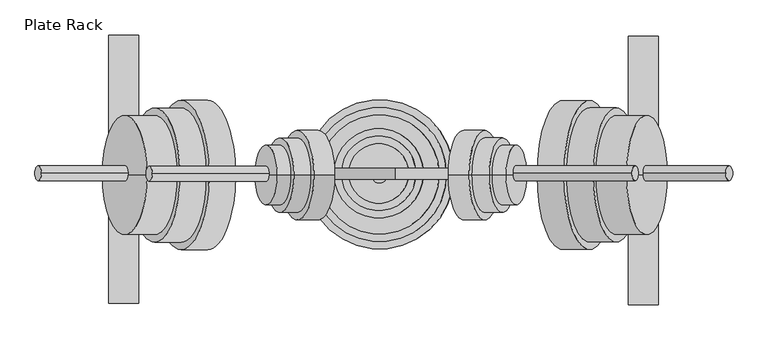
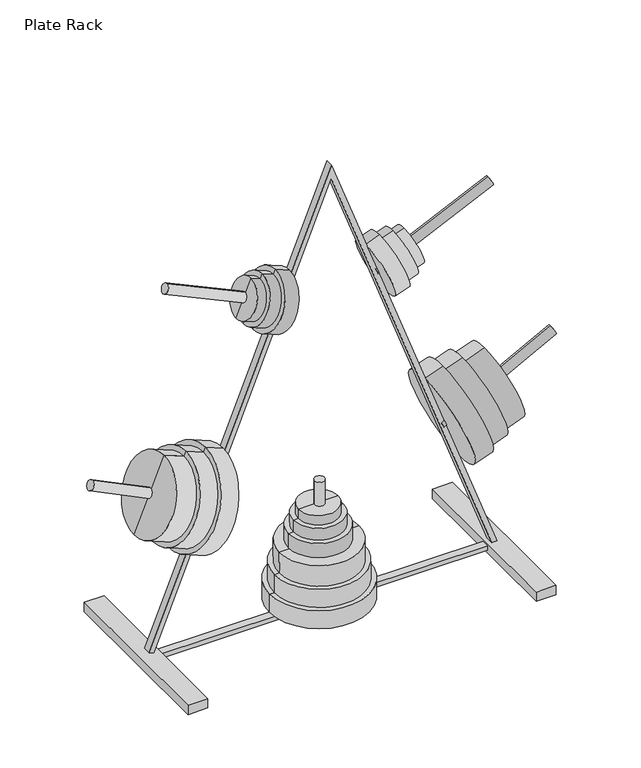
"""IFC4 building model written with IfcOpenShell, lengths in millimetres: proxy geometry, Plate Rack."""

from ifc_helpers import new_model, si_unit, point, frame, frame_2d, origin, place, context, project, spatial, polyline, circle_curve, trimmed, segment, composite_curve, outline, extrude, source, transform, mapped, element, save
from ifc_brep_helpers import plane_surface, cylinder_surface, advanced_brep


def plate_rack_b4f6c4f7(model_context):
    return source(origin(), model_context, "Body", "SolidModel", [
        advanced_brep(
        [(327.7163438, -3.2892365, 936.3260176), (270.8948259, -3.2892365, 794.9150028), (306.2475796, -3.2892365, 780.7096233), (363.0690975, -3.2892365, 922.1206381), (322.9812173, -3.2892365, 924.5417663), (275.6299524, -3.2892365, 806.699254), (293.5205892, -3.2892365, 936.3795826), (246.1693243, -3.2892365, 818.5370702), (288.7854627, -3.2892365, 924.5953313), (250.9044508, -3.2892365, 830.3213215), (265.2169603, -3.2892365, 934.0655843), (227.3359484, -3.2892365, 839.7915744), (246.2764543, -3.2892365, 886.9285794), (334.6583386, -3.2892365, 851.4151307)],
        [
            (0, 1, circle_curve(frame((299.3055849, -3.2892365, 865.6205102), z_axis=(0.9278937979315693, 0.0, -0.37284460537887376), x_axis=(-0.37284460537887376, 0.0, -0.9278937979315693)), 76.2)),
            (1, 2),
            (2, 3, circle_curve(frame((334.6583386, -3.2892365, 851.4151307), z_axis=(-0.9278937979315693, 0.0, 0.37284460537887376), x_axis=(-0.37284460537887376, 0.0, -0.9278937979315693)), 76.2)),
            (3, 0),
            (1, 0, circle_curve(frame((299.3055849, -3.2892365, 865.6205102), z_axis=(0.9278937979315693, 0.0, -0.37284460537887376), x_axis=(-0.37284460537887376, 0.0, -0.9278937979315693)), 76.2)),
            (3, 2, circle_curve(frame((334.6583386, -3.2892365, 851.4151307), z_axis=(-0.9278937979315693, 0.0, 0.37284460537887376), x_axis=(-0.37284460537887376, 0.0, -0.9278937979315693)), 76.2)),
            (4, 5, circle_curve(frame((299.3055849, -3.2892365, 865.6205102), z_axis=(0.9278937979315693, 0.0, -0.37284460537887376), x_axis=(-0.37284460537887376, 0.0, -0.9278937979315693)), 63.5)),
            (5, 1),
            (0, 4),
            (5, 4, circle_curve(frame((299.3055849, -3.2892365, 865.6205102), z_axis=(0.9278937979315693, 0.0, -0.37284460537887376), x_axis=(-0.37284460537887376, 0.0, -0.9278937979315693)), 63.5)),
            (6, 7, circle_curve(frame((269.8449568, -3.2892365, 877.4583264), z_axis=(0.9278937979315693, 0.0, -0.37284460537887376), x_axis=(-0.37284460537887376, 0.0, -0.9278937979315693)), 63.5)),
            (7, 5),
            (4, 6),
            (7, 6, circle_curve(frame((269.8449568, -3.2892365, 877.4583264), z_axis=(0.9278937979315693, 0.0, -0.37284460537887376), x_axis=(-0.37284460537887376, 0.0, -0.9278937979315693)), 63.5)),
            (8, 9, circle_curve(frame((269.8449568, -3.2892365, 877.4583264), z_axis=(0.9278937979315693, 0.0, -0.37284460537887376), x_axis=(-0.37284460537887376, 0.0, -0.9278937979315693)), 50.8)),
            (9, 7),
            (6, 8),
            (9, 8, circle_curve(frame((269.8449568, -3.2892365, 877.4583264), z_axis=(0.9278937979315693, 0.0, -0.37284460537887376), x_axis=(-0.37284460537887376, 0.0, -0.9278937979315693)), 50.8)),
            (10, 11, circle_curve(frame((246.2764543, -3.2892365, 886.9285794), z_axis=(0.9278937979315693, 0.0, -0.37284460537887376), x_axis=(-0.37284460537887376, 0.0, -0.9278937979315693)), 50.8)),
            (11, 9),
            (8, 10),
            (11, 10, circle_curve(frame((246.2764543, -3.2892365, 886.9285794), z_axis=(0.9278937979315693, 0.0, -0.37284460537887376), x_axis=(-0.37284460537887376, 0.0, -0.9278937979315693)), 50.8)),
            (12, 11),
            (10, 12),
            (2, 13),
            (13, 3),
        ],
        [
            cylinder_surface(frame((246.2764543, -3.2892365, 886.9285794), z_axis=(-0.9278937979315693, 0.0, 0.37284460537887376), x_axis=(-0.37284460537887376, 0.0, -0.9278937979315693)), 76.2),
            plane_surface(frame((299.3055849, -3.2892365, 865.6205102), z_axis=(-0.9278937979315693, 0.0, 0.37284460537887376), x_axis=(-0.37284460537887376, 0.0, -0.9278937979315693))),
            cylinder_surface(frame((246.2764543, -3.2892365, 886.9285794), z_axis=(-0.9278937979315693, 0.0, 0.37284460537887376), x_axis=(-0.37284460537887376, 0.0, -0.9278937979315693)), 63.5),
            plane_surface(frame((269.8449568, -3.2892365, 877.4583264), z_axis=(-0.9278937979315693, 0.0, 0.37284460537887376), x_axis=(-0.37284460537887376, 0.0, -0.9278937979315693))),
            cylinder_surface(frame((246.2764543, -3.2892365, 886.9285794), z_axis=(-0.9278937979315693, 0.0, 0.37284460537887376), x_axis=(-0.37284460537887376, 0.0, -0.9278937979315693)), 50.8),
            plane_surface(frame((246.2764543, -3.2892365, 886.9285794), z_axis=(-0.9278937979315693, 0.0, 0.37284460537887376), x_axis=(-0.37284460537887376, 0.0, -0.9278937979315693))),
            plane_surface(frame((334.6583386, -3.2892365, 851.4151307), z_axis=(0.9278937979315693, 0.0, -0.37284460537887376), x_axis=(-0.37284460537887376, 0.0, -0.9278937979315693))),
        ],
        [
            (0, [[1, 2, 3, 4]]),
            (0, [[5, -4, 6, -2]]),
            (1, [[7, 8, -1, 9]]),
            (1, [[10, -9, -5, -8]]),
            (2, [[11, 12, -7, 13]]),
            (2, [[14, -13, -10, -12]]),
            (3, [[15, 16, -11, 17]]),
            (3, [[18, -17, -14, -16]]),
            (4, [[19, 20, -15, 21]]),
            (4, [[22, -21, -18, -20]]),
            (5, [[23, -19, 24]]),
            (5, [[-24, -22, -23]]),
            (6, [[-3, 25, 26]]),
            (6, [[-6, -26, -25]]),
        ],
    ),
        advanced_brep(
        [(645.5804577, -3.2892365, 793.5779262), (592.3722448, -3.2892365, 936.3877511), (556.6697886, -3.2892365, 923.0856979), (609.8780015, -3.2892365, 780.275873), (641.1464399, -3.2892365, 805.478745), (596.8062625, -3.2892365, 924.4869324), (670.8984868, -3.2892365, 816.5637893), (626.5583094, -3.2892365, 935.5719767), (666.464469, -3.2892365, 828.4646081), (630.9923271, -3.2892365, 923.671158), (690.2661065, -3.2892365, 837.3326436), (654.7939646, -3.2892365, 932.5391935), (672.5300356, -3.2892365, 884.9359185), (583.273895, -3.2892365, 851.6807855)],
        [
            (0, 1, circle_curve(frame((618.9763512, -3.2892365, 864.9828387), z_axis=(-0.9370723416893586, 0.0, -0.34913525522470834), x_axis=(-0.34913525522470834, 0.0, 0.9370723416893586)), 76.2)),
            (1, 2),
            (2, 3, circle_curve(frame((583.273895, -3.2892365, 851.6807855), z_axis=(0.9370723416893586, 0.0, 0.34913525522470834), x_axis=(-0.34913525522470834, 0.0, 0.9370723416893586)), 76.2)),
            (3, 0),
            (1, 0, circle_curve(frame((618.9763512, -3.2892365, 864.9828387), z_axis=(-0.9370723416893586, 0.0, -0.34913525522470834), x_axis=(-0.34913525522470834, 0.0, 0.9370723416893586)), 76.2)),
            (3, 2, circle_curve(frame((583.273895, -3.2892365, 851.6807855), z_axis=(0.9370723416893586, 0.0, 0.34913525522470834), x_axis=(-0.34913525522470834, 0.0, 0.9370723416893586)), 76.2)),
            (4, 5, circle_curve(frame((618.9763512, -3.2892365, 864.9828387), z_axis=(-0.9370723416893586, 0.0, -0.34913525522470834), x_axis=(-0.34913525522470834, 0.0, 0.9370723416893586)), 63.5)),
            (5, 1),
            (0, 4),
            (5, 4, circle_curve(frame((618.9763512, -3.2892365, 864.9828387), z_axis=(-0.9370723416893586, 0.0, -0.34913525522470834), x_axis=(-0.34913525522470834, 0.0, 0.9370723416893586)), 63.5)),
            (6, 7, circle_curve(frame((648.7283981, -3.2892365, 876.067883), z_axis=(-0.9370723416893586, 0.0, -0.34913525522470834), x_axis=(-0.34913525522470834, 0.0, 0.9370723416893586)), 63.5)),
            (7, 5),
            (4, 6),
            (7, 6, circle_curve(frame((648.7283981, -3.2892365, 876.067883), z_axis=(-0.9370723416893586, 0.0, -0.34913525522470834), x_axis=(-0.34913525522470834, 0.0, 0.9370723416893586)), 63.5)),
            (8, 9, circle_curve(frame((648.7283981, -3.2892365, 876.067883), z_axis=(-0.9370723416893586, 0.0, -0.34913525522470834), x_axis=(-0.34913525522470834, 0.0, 0.9370723416893586)), 50.8)),
            (9, 7),
            (6, 8),
            (9, 8, circle_curve(frame((648.7283981, -3.2892365, 876.067883), z_axis=(-0.9370723416893586, 0.0, -0.34913525522470834), x_axis=(-0.34913525522470834, 0.0, 0.9370723416893586)), 50.8)),
            (10, 11, circle_curve(frame((672.5300356, -3.2892365, 884.9359185), z_axis=(-0.9370723416893586, 0.0, -0.34913525522470834), x_axis=(-0.34913525522470834, 0.0, 0.9370723416893586)), 50.8)),
            (11, 9),
            (8, 10),
            (11, 10, circle_curve(frame((672.5300356, -3.2892365, 884.9359185), z_axis=(-0.9370723416893586, 0.0, -0.34913525522470834), x_axis=(-0.34913525522470834, 0.0, 0.9370723416893586)), 50.8)),
            (12, 11),
            (10, 12),
            (2, 13),
            (13, 3),
        ],
        [
            cylinder_surface(frame((672.5300356, -3.2892365, 884.9359185), z_axis=(0.9370723416893584, 0.0, 0.3491352552247083), x_axis=(-0.34913525522470834, 0.0, 0.9370723416893586)), 76.2),
            plane_surface(frame((618.9763512, -3.2892365, 864.9828387), z_axis=(0.9370723416893586, 0.0, 0.34913525522470834), x_axis=(-0.34913525522470834, 0.0, 0.9370723416893586))),
            cylinder_surface(frame((672.5300356, -3.2892365, 884.9359185), z_axis=(0.9370723416893584, 0.0, 0.3491352552247083), x_axis=(-0.34913525522470834, 0.0, 0.9370723416893586)), 63.5),
            plane_surface(frame((648.7283981, -3.2892365, 876.067883), z_axis=(0.9370723416893586, 0.0, 0.34913525522470834), x_axis=(-0.34913525522470834, 0.0, 0.9370723416893586))),
            cylinder_surface(frame((672.5300356, -3.2892365, 884.9359185), z_axis=(0.9370723416893584, 0.0, 0.3491352552247083), x_axis=(-0.34913525522470834, 0.0, 0.9370723416893586)), 50.8),
            plane_surface(frame((672.5300356, -3.2892365, 884.9359185), z_axis=(0.9370723416893586, 0.0, 0.34913525522470834), x_axis=(-0.34913525522470834, 0.0, 0.9370723416893586))),
            plane_surface(frame((583.273895, -3.2892365, 851.6807855), z_axis=(-0.9370723416893586, 0.0, -0.34913525522470834), x_axis=(-0.34913525522470834, 0.0, 0.9370723416893586))),
        ],
        [
            (0, [[1, 2, 3, 4]]),
            (0, [[5, -4, 6, -2]]),
            (1, [[7, 8, -1, 9]]),
            (1, [[10, -9, -5, -8]]),
            (2, [[11, 12, -7, 13]]),
            (2, [[14, -13, -10, -12]]),
            (3, [[15, 16, -11, 17]]),
            (3, [[18, -17, -14, -16]]),
            (4, [[19, 20, -15, 21]]),
            (4, [[22, -21, -18, -20]]),
            (5, [[23, -19, 24]]),
            (5, [[-24, -22, -23]]),
            (6, [[-3, 25, 26]]),
            (6, [[-6, -26, -25]]),
        ],
    ),
        advanced_brep(
        [(752.058959, -3.0804266, 390.7430765), (795.7221433, -3.0804266, 271.4848427), (708.3957748, -3.0804266, 510.0013104), (860.2382922, -3.0804266, 538.5454847), (930.0993871, -3.0804266, 347.7323105), (895.1688397, -3.0804266, 443.1388976), (808.3695217, -3.0804266, 519.555134), (878.2306165, -3.0804266, 328.7419598), (804.0032033, -3.0804266, 531.4809574), (882.5969349, -3.0804266, 316.8161364), (758.382057, -3.0804266, 514.7780057), (836.9757887, -3.0804266, 300.1131848), (754.0157386, -3.0804266, 526.7038291), (841.3421071, -3.0804266, 288.1873614)],
        [
            (0, 1),
            (1, 2, circle_curve(frame((752.058959, -3.0804266, 390.7430765), z_axis=(-0.9390412114002088, 0.0, -0.34380460045210065), x_axis=(0.3438046004521007, 0.0, -0.939041211400209)), 127.0)),
            (2, 0),
            (2, 1, circle_curve(frame((752.058959, -3.0804266, 390.7430765), z_axis=(-0.9390412114002088, 0.0, -0.34380460045210065), x_axis=(0.3438046004521007, 0.0, -0.939041211400209)), 127.0)),
            (3, 4, circle_curve(frame((895.1688397, -3.0804266, 443.1388976), z_axis=(0.9390412114002088, 0.0, 0.34380460045210065), x_axis=(0.3438046004521007, 0.0, -0.939041211400209)), 101.6)),
            (4, 5),
            (5, 3),
            (4, 3, circle_curve(frame((895.1688397, -3.0804266, 443.1388976), z_axis=(0.9390412114002088, 0.0, 0.34380460045210065), x_axis=(0.3438046004521007, 0.0, -0.939041211400209)), 101.6)),
            (6, 7, circle_curve(frame((843.3000691, -3.0804266, 424.1485469), z_axis=(0.9390412114002088, 0.0, 0.34380460045210065), x_axis=(0.3438046004521007, 0.0, -0.939041211400209)), 101.6)),
            (7, 4),
            (3, 6),
            (7, 6, circle_curve(frame((843.3000691, -3.0804266, 424.1485469), z_axis=(0.9390412114002088, 0.0, 0.34380460045210065), x_axis=(0.3438046004521007, 0.0, -0.939041211400209)), 101.6)),
            (8, 9, circle_curve(frame((843.3000691, -3.0804266, 424.1485469), z_axis=(0.9390412114002088, 0.0, 0.34380460045210065), x_axis=(0.3438046004521007, 0.0, -0.939041211400209)), 114.3)),
            (9, 7),
            (6, 8),
            (9, 8, circle_curve(frame((843.3000691, -3.0804266, 424.1485469), z_axis=(0.9390412114002088, 0.0, 0.34380460045210065), x_axis=(0.3438046004521007, 0.0, -0.939041211400209)), 114.3)),
            (10, 11, circle_curve(frame((797.6789228, -3.0804266, 407.4455952), z_axis=(0.9390412114002088, 0.0, 0.34380460045210065), x_axis=(0.3438046004521007, 0.0, -0.939041211400209)), 114.3)),
            (11, 9),
            (8, 10),
            (11, 10, circle_curve(frame((797.6789228, -3.0804266, 407.4455952), z_axis=(0.9390412114002088, 0.0, 0.34380460045210065), x_axis=(0.3438046004521007, 0.0, -0.939041211400209)), 114.3)),
            (12, 13, circle_curve(frame((797.6789228, -3.0804266, 407.4455952), z_axis=(0.9390412114002088, 0.0, 0.34380460045210065), x_axis=(0.3438046004521007, 0.0, -0.939041211400209)), 127.0)),
            (13, 11),
            (10, 12),
            (13, 12, circle_curve(frame((797.6789228, -3.0804266, 407.4455952), z_axis=(0.9390412114002088, 0.0, 0.34380460045210065), x_axis=(0.3438046004521007, 0.0, -0.939041211400209)), 127.0)),
            (1, 13),
            (12, 2),
        ],
        [
            plane_surface(frame((752.058959, -3.0804266, 390.7430765), z_axis=(-0.9390412114002088, 0.0, -0.34380460045210065), x_axis=(0.34380460045210065, 0.0, -0.9390412114002088))),
            plane_surface(frame((895.1688397, -3.0804266, 443.1388976), z_axis=(0.9390412114002088, 0.0, 0.34380460045210065), x_axis=(0.34380460045210065, 0.0, -0.9390412114002088))),
            cylinder_surface(frame((895.1688397, -3.0804266, 443.1388976), z_axis=(-0.9390412114002088, 0.0, -0.34380460045210065), x_axis=(0.3438046004521007, 0.0, -0.939041211400209)), 101.6),
            plane_surface(frame((843.3000691, -3.0804266, 424.1485469), z_axis=(0.9390412114002088, 0.0, 0.34380460045210065), x_axis=(0.34380460045210065, 0.0, -0.9390412114002088))),
            cylinder_surface(frame((895.1688397, -3.0804266, 443.1388976), z_axis=(-0.9390412114002088, 0.0, -0.34380460045210065), x_axis=(0.3438046004521007, 0.0, -0.939041211400209)), 114.3),
            plane_surface(frame((797.6789228, -3.0804266, 407.4455952), z_axis=(0.9390412114002088, 0.0, 0.34380460045210065), x_axis=(0.34380460045210065, 0.0, -0.9390412114002088))),
            cylinder_surface(frame((895.1688397, -3.0804266, 443.1388976), z_axis=(-0.9390412114002088, 0.0, -0.34380460045210065), x_axis=(0.3438046004521007, 0.0, -0.939041211400209)), 127.0),
        ],
        [
            (0, [[1, 2, 3]]),
            (0, [[-3, 4, -1]]),
            (1, [[5, 6, 7]]),
            (1, [[8, -7, -6]]),
            (2, [[9, 10, -5, 11]]),
            (2, [[12, -11, -8, -10]]),
            (3, [[13, 14, -9, 15]]),
            (3, [[16, -15, -12, -14]]),
            (4, [[17, 18, -13, 19]]),
            (4, [[20, -19, -16, -18]]),
            (5, [[21, 22, -17, 23]]),
            (5, [[24, -23, -20, -22]]),
            (6, [[-2, 25, -21, 26]]),
            (6, [[-4, -26, -24, -25]]),
        ],
    ),
        advanced_brep(
        [(146.3407057, -3.0804266, 384.3683715), (194.1191765, -3.0804266, 502.038324), (98.5622349, -3.0804266, 266.698419), (-33.086014, -3.0804266, 347.5665744), (43.3595393, -3.0804266, 535.8384985), (5.1367626, -3.0804266, 441.7025365), (18.0919682, -3.0804266, 326.7863695), (94.5375215, -3.0804266, 515.0582935), (13.3141211, -3.0804266, 315.0193742), (99.3153686, -3.0804266, 526.8252888), (58.3276849, -3.0804266, 296.7421574), (144.3289324, -3.0804266, 508.5480719), (53.5498378, -3.0804266, 284.9751621), (149.1067794, -3.0804266, 520.3150672)],
        [
            (0, 1),
            (1, 2, circle_curve(frame((146.3407057, -3.0804266, 384.3683715), z_axis=(0.9265350592700681, 0.0, -0.3762084315155783), x_axis=(0.3762084315155784, 0.0, 0.9265350592700683)), 127.0)),
            (2, 0),
            (2, 1, circle_curve(frame((146.3407057, -3.0804266, 384.3683715), z_axis=(0.9265350592700681, 0.0, -0.3762084315155783), x_axis=(0.3762084315155784, 0.0, 0.9265350592700683)), 127.0)),
            (3, 4, circle_curve(frame((5.1367626, -3.0804266, 441.7025365), z_axis=(-0.9265350592700681, 0.0, 0.3762084315155783), x_axis=(0.3762084315155784, 0.0, 0.9265350592700683)), 101.6)),
            (4, 5),
            (5, 3),
            (4, 3, circle_curve(frame((5.1367626, -3.0804266, 441.7025365), z_axis=(-0.9265350592700681, 0.0, 0.3762084315155783), x_axis=(0.3762084315155784, 0.0, 0.9265350592700683)), 101.6)),
            (6, 7, circle_curve(frame((56.3147449, -3.0804266, 420.9223315), z_axis=(-0.9265350592700681, 0.0, 0.3762084315155783), x_axis=(0.3762084315155784, 0.0, 0.9265350592700683)), 101.6)),
            (7, 4),
            (3, 6),
            (7, 6, circle_curve(frame((56.3147449, -3.0804266, 420.9223315), z_axis=(-0.9265350592700681, 0.0, 0.3762084315155783), x_axis=(0.3762084315155784, 0.0, 0.9265350592700683)), 101.6)),
            (8, 9, circle_curve(frame((56.3147449, -3.0804266, 420.9223315), z_axis=(-0.9265350592700681, 0.0, 0.3762084315155783), x_axis=(0.3762084315155784, 0.0, 0.9265350592700683)), 114.3)),
            (9, 7),
            (6, 8),
            (9, 8, circle_curve(frame((56.3147449, -3.0804266, 420.9223315), z_axis=(-0.9265350592700681, 0.0, 0.3762084315155783), x_axis=(0.3762084315155784, 0.0, 0.9265350592700683)), 114.3)),
            (10, 11, circle_curve(frame((101.3283086, -3.0804266, 402.6451146), z_axis=(-0.9265350592700681, 0.0, 0.3762084315155783), x_axis=(0.3762084315155784, 0.0, 0.9265350592700683)), 114.3)),
            (11, 9),
            (8, 10),
            (11, 10, circle_curve(frame((101.3283086, -3.0804266, 402.6451146), z_axis=(-0.9265350592700681, 0.0, 0.3762084315155783), x_axis=(0.3762084315155784, 0.0, 0.9265350592700683)), 114.3)),
            (12, 13, circle_curve(frame((101.3283086, -3.0804266, 402.6451146), z_axis=(-0.9265350592700681, 0.0, 0.3762084315155783), x_axis=(0.3762084315155784, 0.0, 0.9265350592700683)), 127.0)),
            (13, 11),
            (10, 12),
            (13, 12, circle_curve(frame((101.3283086, -3.0804266, 402.6451146), z_axis=(-0.9265350592700681, 0.0, 0.3762084315155783), x_axis=(0.3762084315155784, 0.0, 0.9265350592700683)), 127.0)),
            (1, 13),
            (12, 2),
        ],
        [
            plane_surface(frame((146.3407057, -3.0804266, 384.3683715), z_axis=(0.9265350592700681, 0.0, -0.3762084315155783), x_axis=(0.3762084315155783, 0.0, 0.9265350592700681))),
            plane_surface(frame((5.1367626, -3.0804266, 441.7025365), z_axis=(-0.9265350592700681, 0.0, 0.3762084315155783), x_axis=(0.3762084315155783, 0.0, 0.9265350592700681))),
            cylinder_surface(frame((5.1367626, -3.0804266, 441.7025365), z_axis=(0.9265350592700681, 0.0, -0.3762084315155783), x_axis=(0.3762084315155784, 0.0, 0.9265350592700683)), 101.6),
            plane_surface(frame((56.3147449, -3.0804266, 420.9223315), z_axis=(-0.9265350592700681, 0.0, 0.3762084315155783), x_axis=(0.3762084315155783, 0.0, 0.9265350592700681))),
            cylinder_surface(frame((5.1367626, -3.0804266, 441.7025365), z_axis=(0.9265350592700681, 0.0, -0.3762084315155783), x_axis=(0.3762084315155784, 0.0, 0.9265350592700683)), 114.3),
            plane_surface(frame((101.3283086, -3.0804266, 402.6451146), z_axis=(-0.9265350592700681, 0.0, 0.3762084315155783), x_axis=(0.3762084315155783, 0.0, 0.9265350592700681))),
            cylinder_surface(frame((5.1367626, -3.0804266, 441.7025365), z_axis=(0.9265350592700681, 0.0, -0.3762084315155783), x_axis=(0.3762084315155784, 0.0, 0.9265350592700683)), 127.0),
        ],
        [
            (0, [[1, 2, 3]]),
            (0, [[-3, 4, -1]]),
            (1, [[5, 6, 7]]),
            (1, [[8, -7, -6]]),
            (2, [[9, 10, -5, 11]]),
            (2, [[12, -11, -8, -10]]),
            (3, [[13, 14, -9, 15]]),
            (3, [[16, -15, -12, -14]]),
            (4, [[17, 18, -13, 19]]),
            (4, [[20, -19, -16, -18]]),
            (5, [[21, 22, -17, 23]]),
            (5, [[24, -23, -20, -22]]),
            (6, [[-2, 25, -21, 26]]),
            (6, [[-4, -26, -24, -25]]),
        ],
    ),
        advanced_brep(
        [(514.5168473, -0.2670716, 211.5821258), (362.1171223, -0.2670716, 211.2926212), (362.1894985, -0.2670716, 173.1926899), (514.5892235, -0.2670716, 173.4821945), (501.8168703, -0.2670716, 211.5580004), (374.8170994, -0.2670716, 211.3167466), (501.7565568, -0.2670716, 243.3079431), (374.756786, -0.2670716, 243.0666893), (489.0565797, -0.2670716, 243.2838177), (387.456763, -0.2670716, 243.0908147), (489.008329, -0.2670716, 268.6837719), (387.4085123, -0.2670716, 268.4907689), (438.2084206, -0.2670716, 268.5872704), (438.389361, -0.2670716, 173.3374422)],
        [
            (0, 1, circle_curve(frame((438.3169848, -0.2670716, 211.4373735), z_axis=(0.0018996363252829357, 0.0, -0.9999981956892882), x_axis=(-0.9999981956892884, 0.0, -0.0018996363252829361)), 76.2)),
            (1, 2),
            (2, 3, circle_curve(frame((438.389361, -0.2670716, 173.3374422), z_axis=(-0.0018996363252829357, 0.0, 0.9999981956892882), x_axis=(-0.9999981956892884, 0.0, -0.0018996363252829361)), 76.2)),
            (3, 0),
            (1, 0, circle_curve(frame((438.3169848, -0.2670716, 211.4373735), z_axis=(0.0018996363252829357, 0.0, -0.9999981956892882), x_axis=(-0.9999981956892884, 0.0, -0.0018996363252829361)), 76.2)),
            (3, 2, circle_curve(frame((438.389361, -0.2670716, 173.3374422), z_axis=(-0.0018996363252829357, 0.0, 0.9999981956892882), x_axis=(-0.9999981956892884, 0.0, -0.0018996363252829361)), 76.2)),
            (4, 5, circle_curve(frame((438.3169848, -0.2670716, 211.4373735), z_axis=(0.0018996363252829357, 0.0, -0.9999981956892882), x_axis=(-0.9999981956892884, 0.0, -0.0018996363252829361)), 63.5)),
            (5, 1),
            (0, 4),
            (5, 4, circle_curve(frame((438.3169848, -0.2670716, 211.4373735), z_axis=(0.0018996363252829357, 0.0, -0.9999981956892882), x_axis=(-0.9999981956892884, 0.0, -0.0018996363252829361)), 63.5)),
            (6, 7, circle_curve(frame((438.2566714, -0.2670716, 243.1873162), z_axis=(0.0018996363252829357, 0.0, -0.9999981956892882), x_axis=(-0.9999981956892884, 0.0, -0.0018996363252829361)), 63.5)),
            (7, 5),
            (4, 6),
            (7, 6, circle_curve(frame((438.2566714, -0.2670716, 243.1873162), z_axis=(0.0018996363252829357, 0.0, -0.9999981956892882), x_axis=(-0.9999981956892884, 0.0, -0.0018996363252829361)), 63.5)),
            (8, 9, circle_curve(frame((438.2566714, -0.2670716, 243.1873162), z_axis=(0.0018996363252829357, 0.0, -0.9999981956892882), x_axis=(-0.9999981956892884, 0.0, -0.0018996363252829361)), 50.8)),
            (9, 7),
            (6, 8),
            (9, 8, circle_curve(frame((438.2566714, -0.2670716, 243.1873162), z_axis=(0.0018996363252829357, 0.0, -0.9999981956892882), x_axis=(-0.9999981956892884, 0.0, -0.0018996363252829361)), 50.8)),
            (10, 11, circle_curve(frame((438.2084206, -0.2670716, 268.5872704), z_axis=(0.0018996363252829357, 0.0, -0.9999981956892882), x_axis=(-0.9999981956892884, 0.0, -0.0018996363252829361)), 50.8)),
            (11, 9),
            (8, 10),
            (11, 10, circle_curve(frame((438.2084206, -0.2670716, 268.5872704), z_axis=(0.0018996363252829357, 0.0, -0.9999981956892882), x_axis=(-0.9999981956892884, 0.0, -0.0018996363252829361)), 50.8)),
            (12, 11),
            (10, 12),
            (2, 13),
            (13, 3),
        ],
        [
            cylinder_surface(frame((438.2084206, -0.2670716, 268.5872704), z_axis=(-0.0018996363252829357, 0.0, 0.9999981956892882), x_axis=(-0.9999981956892884, 0.0, -0.0018996363252829361)), 76.2),
            plane_surface(frame((438.3169848, -0.2670716, 211.4373735), z_axis=(-0.0018996363252829357, 0.0, 0.9999981956892882), x_axis=(-0.9999981956892882, 0.0, -0.0018996363252829357))),
            cylinder_surface(frame((438.2084206, -0.2670716, 268.5872704), z_axis=(-0.0018996363252829357, 0.0, 0.9999981956892882), x_axis=(-0.9999981956892884, 0.0, -0.0018996363252829361)), 63.5),
            plane_surface(frame((438.2566714, -0.2670716, 243.1873162), z_axis=(-0.0018996363252829357, 0.0, 0.9999981956892882), x_axis=(-0.9999981956892882, 0.0, -0.0018996363252829357))),
            cylinder_surface(frame((438.2084206, -0.2670716, 268.5872704), z_axis=(-0.0018996363252829357, 0.0, 0.9999981956892882), x_axis=(-0.9999981956892884, 0.0, -0.0018996363252829361)), 50.8),
            plane_surface(frame((438.2084206, -0.2670716, 268.5872704), z_axis=(-0.0018996363252829357, 0.0, 0.9999981956892882), x_axis=(-0.9999981956892882, 0.0, -0.0018996363252829357))),
            plane_surface(frame((438.389361, -0.2670716, 173.3374422), z_axis=(0.0018996363252829357, 0.0, -0.9999981956892882), x_axis=(-0.9999981956892882, 0.0, -0.0018996363252829357))),
        ],
        [
            (0, [[1, 2, 3, 4]]),
            (0, [[5, -4, 6, -2]]),
            (1, [[7, 8, -1, 9]]),
            (1, [[10, -9, -5, -8]]),
            (2, [[11, 12, -7, 13]]),
            (2, [[14, -13, -10, -12]]),
            (3, [[15, 16, -11, 17]]),
            (3, [[18, -17, -14, -16]]),
            (4, [[19, 20, -15, 21]]),
            (4, [[22, -21, -18, -20]]),
            (5, [[23, -19, 24]]),
            (5, [[-24, -22, -23]]),
            (6, [[-3, 25, 26]]),
            (6, [[-6, -26, -25]]),
        ],
    ),
        advanced_brep(
        [(439.7349729, -1.9547958, 17.872661), (566.7347438, -1.9547958, 18.1139148), (312.7352021, -1.9547958, 17.6314072), (337.8456516, -1.9547958, 170.079383), (541.045285, -1.9547958, 170.4653891), (439.4454683, -1.9547958, 170.272386), (337.9505797, -1.9547958, 114.8435996), (541.1502131, -1.9547958, 115.2296057), (325.2506027, -1.9547958, 114.8194742), (553.8501902, -1.9547958, 115.253731), (325.3428921, -1.9547958, 66.2368738), (553.9424796, -1.9547958, 66.6711306), (312.642915, -1.9547958, 66.2127484), (566.6424567, -1.9547958, 66.695256)],
        [
            (0, 1),
            (1, 2, circle_curve(frame((439.7349729, -1.9547958, 17.872661), z_axis=(0.001899636325276382, 0.0, -0.9999981956892882), x_axis=(0.9999981956892884, 0.0, 0.0018996363252763823)), 127.0)),
            (2, 0),
            (2, 1, circle_curve(frame((439.7349729, -1.9547958, 17.872661), z_axis=(0.001899636325276382, 0.0, -0.9999981956892882), x_axis=(0.9999981956892884, 0.0, 0.0018996363252763823)), 127.0)),
            (3, 4, circle_curve(frame((439.4454683, -1.9547958, 170.272386), z_axis=(-0.001899636325276382, 0.0, 0.9999981956892882), x_axis=(0.9999981956892884, 0.0, 0.0018996363252763823)), 101.6)),
            (4, 5),
            (5, 3),
            (4, 3, circle_curve(frame((439.4454683, -1.9547958, 170.272386), z_axis=(-0.001899636325276382, 0.0, 0.9999981956892882), x_axis=(0.9999981956892884, 0.0, 0.0018996363252763823)), 101.6)),
            (6, 7, circle_curve(frame((439.5503964, -1.9547958, 115.0366026), z_axis=(-0.001899636325276382, 0.0, 0.9999981956892882), x_axis=(0.9999981956892884, 0.0, 0.0018996363252763823)), 101.6)),
            (7, 4),
            (3, 6),
            (7, 6, circle_curve(frame((439.5503964, -1.9547958, 115.0366026), z_axis=(-0.001899636325276382, 0.0, 0.9999981956892882), x_axis=(0.9999981956892884, 0.0, 0.0018996363252763823)), 101.6)),
            (8, 9, circle_curve(frame((439.5503964, -1.9547958, 115.0366026), z_axis=(-0.001899636325276382, 0.0, 0.9999981956892882), x_axis=(0.9999981956892884, 0.0, 0.0018996363252763823)), 114.3)),
            (9, 7),
            (6, 8),
            (9, 8, circle_curve(frame((439.5503964, -1.9547958, 115.0366026), z_axis=(-0.001899636325276382, 0.0, 0.9999981956892882), x_axis=(0.9999981956892884, 0.0, 0.0018996363252763823)), 114.3)),
            (10, 11, circle_curve(frame((439.6426859, -1.9547958, 66.4540022), z_axis=(-0.001899636325276382, 0.0, 0.9999981956892882), x_axis=(0.9999981956892884, 0.0, 0.0018996363252763823)), 114.3)),
            (11, 9),
            (8, 10),
            (11, 10, circle_curve(frame((439.6426859, -1.9547958, 66.4540022), z_axis=(-0.001899636325276382, 0.0, 0.9999981956892882), x_axis=(0.9999981956892884, 0.0, 0.0018996363252763823)), 114.3)),
            (12, 13, circle_curve(frame((439.6426859, -1.9547958, 66.4540022), z_axis=(-0.001899636325276382, 0.0, 0.9999981956892882), x_axis=(0.9999981956892884, 0.0, 0.0018996363252763823)), 127.0)),
            (13, 11),
            (10, 12),
            (13, 12, circle_curve(frame((439.6426859, -1.9547958, 66.4540022), z_axis=(-0.001899636325276382, 0.0, 0.9999981956892882), x_axis=(0.9999981956892884, 0.0, 0.0018996363252763823)), 127.0)),
            (1, 13),
            (12, 2),
        ],
        [
            plane_surface(frame((439.7349729, -1.9547958, 17.872661), z_axis=(0.001899636325276382, 0.0, -0.9999981956892882), x_axis=(0.9999981956892882, 0.0, 0.001899636325276382))),
            plane_surface(frame((439.4454683, -1.9547958, 170.272386), z_axis=(-0.001899636325276382, 0.0, 0.9999981956892882), x_axis=(0.9999981956892882, 0.0, 0.001899636325276382))),
            cylinder_surface(frame((439.4454683, -1.9547958, 170.272386), z_axis=(0.001899636325276382, 0.0, -0.9999981956892882), x_axis=(0.9999981956892884, 0.0, 0.0018996363252763823)), 101.6),
            plane_surface(frame((439.5503964, -1.9547958, 115.0366026), z_axis=(-0.001899636325276382, 0.0, 0.9999981956892882), x_axis=(0.9999981956892882, 0.0, 0.001899636325276382))),
            cylinder_surface(frame((439.4454683, -1.9547958, 170.272386), z_axis=(0.001899636325276382, 0.0, -0.9999981956892882), x_axis=(0.9999981956892884, 0.0, 0.0018996363252763823)), 114.3),
            plane_surface(frame((439.6426859, -1.9547958, 66.4540022), z_axis=(-0.001899636325276382, 0.0, 0.9999981956892882), x_axis=(0.9999981956892882, 0.0, 0.001899636325276382))),
            cylinder_surface(frame((439.4454683, -1.9547958, 170.272386), z_axis=(0.001899636325276382, 0.0, -0.9999981956892882), x_axis=(0.9999981956892884, 0.0, 0.0018996363252763823)), 127.0),
        ],
        [
            (0, [[1, 2, 3]]),
            (0, [[-3, 4, -1]]),
            (1, [[5, 6, 7]]),
            (1, [[8, -7, -6]]),
            (2, [[9, 10, -5, 11]]),
            (2, [[12, -11, -8, -10]]),
            (3, [[13, 14, -9, 15]]),
            (3, [[16, -15, -12, -14]]),
            (4, [[17, 18, -13, 19]]),
            (4, [[20, -19, -16, -18]]),
            (5, [[21, 22, -17, 23]]),
            (5, [[24, -23, -20, -22]]),
            (6, [[-2, 25, -21, 26]]),
            (6, [[-4, -26, -24, -25]]),
        ],
    ),
        extrude(outline(polyline([(914.8288212, -224.224543), (864.0288212, -224.224543), (864.0288212, 232.975457), (914.8288212, 232.975457), (914.8288212, -224.224543)])), frame((0.0, 0.0, -11.447595), z_axis=(0.0, 0.0, 1.0), x_axis=(1.0, 0.0, 0.0)), (0.0, 0.0, 1.0), 25.4),
        extrude(outline(polyline([(28.8628944, -221.7393792), (-21.9371056, -221.7393792), (-21.9371056, 235.4606208), (28.8628944, 235.4606208), (28.8628944, -221.7393792)])), frame((0.0, 0.0, -7.2214023), z_axis=(0.0, 0.0, 1.0), x_axis=(1.0, 0.0, 0.0)), (0.0, 0.0, 1.0), 25.4),
        extrude(outline(composite_curve([segment(trimmed(circle_curve(frame_2d((206.6092653, 0.0)), 12.7), [point((206.6092653, 12.7))], [point((206.6092653, -12.7))], False, "CARTESIAN"), True, "CONTINUOUS"), segment(trimmed(circle_curve(frame_2d((206.6092653, 0.0)), 12.7), [point((206.6092653, -12.7))], [point((206.6092653, 12.7))], False, "CARTESIAN"), True, "CONTINUOUS")], self_intersect=False)), frame((749.4951332, 206.6092653, 373.9154138), z_axis=(0.8829475928589329, 0.0, 0.4694715627858798), x_axis=(0.0, -1.0, 0.0)), (0.0, 0.0, 1.0), 323.85),
        extrude(outline(composite_curve([segment(trimmed(circle_curve(frame_2d((406.0445977, 0.0)), 12.7), [point((406.0445977, 12.7))], [point((406.0445977, -12.7))], False, "CARTESIAN"), True, "CONTINUOUS"), segment(trimmed(circle_curve(frame_2d((406.0445977, 0.0)), 12.7), [point((406.0445977, -12.7))], [point((406.0445977, 12.7))], False, "CARTESIAN"), True, "CONTINUOUS")], self_intersect=False)), frame((581.744226, 405.8744677, 846.2886292), z_axis=(0.9063077870366529, 0.0, 0.42261826174069317), x_axis=(0.0, -1.0, 0.0)), (0.0, 0.0, 1.0), 323.85),
        extrude(outline(composite_curve([segment(trimmed(circle_curve(frame_2d((385.9575859, 0.0)), 12.7), [point((385.9575859, 12.7))], [point((385.9575859, -12.7))], False, "CARTESIAN"), True, "CONTINUOUS"), segment(trimmed(circle_curve(frame_2d((385.9575859, 0.0)), 12.7), [point((385.9575859, -12.7))], [point((385.9575859, 12.7))], False, "CARTESIAN"), True, "CONTINUOUS")], self_intersect=False)), frame((340.4548603, 384.8139179, 845.0375902), z_axis=(-0.9063077870366489, 0.0, 0.4226182617407017), x_axis=(0.0, -1.0, 0.0)), (0.0, 0.0, 1.0), 323.85),
        extrude(outline(composite_curve([segment(trimmed(circle_curve(frame_2d((185.0874668, 0.0)), 12.7), [point((185.0874668, 12.7))], [point((185.0874668, -12.7))], False, "CARTESIAN"), True, "CONTINUOUS"), segment(trimmed(circle_curve(frame_2d((185.0874668, 0.0)), 12.7), [point((185.0874668, -12.7))], [point((185.0874668, 12.7))], False, "CARTESIAN"), True, "CONTINUOUS")], self_intersect=False)), frame((148.7517425, 185.0087013, 375.9399486), z_axis=(-0.898794046299163, 0.0, 0.4383711467890856), x_axis=(0.0, -1.0, 0.0)), (0.0, 0.0, 1.0), 323.85),
        extrude(outline(composite_curve([segment(trimmed(circle_curve(frame_2d((439.1467342, -3.9962333)), 12.7), [point((451.8467342, -3.9962333))], [point((426.4467342, -3.9962333))], False, "CARTESIAN"), True, "CONTINUOUS"), segment(trimmed(circle_curve(frame_2d((439.1467342, -3.9962333)), 12.7), [point((426.4467342, -3.9962333))], [point((451.8467342, -3.9962333))], False, "CARTESIAN"), True, "CONTINUOUS")], self_intersect=False)), frame((0.0, 0.0, 9.2598421), z_axis=(0.0, 0.0, 1.0), x_axis=(1.0, 0.0, 0.0)), (0.0, 0.0, 1.0), 323.85),
        extrude(outline(polyline([(22.9900465, 1.0924937), (18.2325428, 12.8677287), (1137.6237033, 465.1311145), (9.2598421, 875.8219734), (9.2598421, 2.4714951), (-3.4401579, 2.4714951), (-3.4401579, 893.9594531), (1173.0567428, 465.7496005), (22.9900465, 1.0924937)])), frame((0.0, -10.5194337, 0.0), z_axis=(0.0, 1.0, 0.0), x_axis=(0.0, 0.0, 1.0)), (0.0, 0.0, 1.0), 19.05),
    ])


if __name__ == "__main__":
    model = new_model("IFC4")
    model_context = context("Model", 3, world=origin())
    ifc_project = project(units=[si_unit("LENGTHUNIT", "METRE", prefix="MILLI")], contexts=[model_context])
    site = spatial("IfcSite", under=ifc_project)
    building = spatial("IfcBuilding", under=site)
    placement = place(None, origin())
    plate_rack_shape = plate_rack_b4f6c4f7(model_context)
    element("IfcBuildingElementProxy", 1, Name="Plate Rack", ObjectType="Plate Rack", at=placement, inside=building, context=model_context, shape_type="MappedRepresentation", body=[
        mapped(plate_rack_shape, transform((0.0, 0.0, 0.0), x_axis=(1.0, 0.0, 0.0), y_axis=(0.0, 1.0, 0.0), z_axis=(0.0, 0.0, 1.0))),
    ])
    save(model, "model.ifc")
